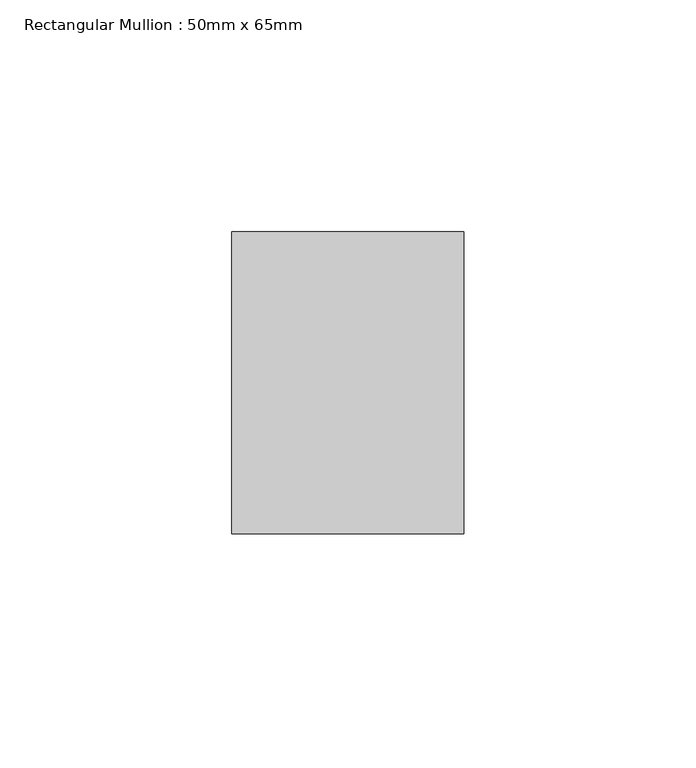
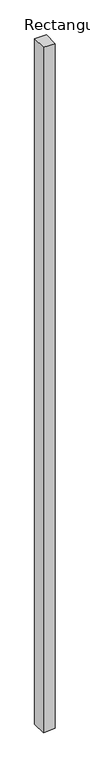
"""IFC4 building model written with IfcOpenShell, lengths in millimetres: member geometry, Rectangular Mullion : 50mm x 65mm."""

from ifc_helpers import new_model, si_unit, origin, place, context, project, spatial, faceted_brep, source, transform, mapped, element, save


def rectangular_mullion_50mm_x_65mm_8764dba7(model_context):
    return source(origin(), model_context, "Body", "Brep", [
        faceted_brep([(25.0, 32.5, 0.0), (-25.0, 32.5, 0.0), (-25.0, -32.5, 0.0), (25.0, -32.5, 0.0), (25.0, 32.5, -3103.3241425), (-25.0, 32.5, -3105.7528701), (-25.0, -32.5, -3104.0960178), (25.0, -32.5, -3101.6672902)], [[[0, 1, 2, 3]], [[1, 0, 4, 5]], [[2, 1, 5, 6]], [[3, 2, 6, 7]], [[0, 3, 7, 4]], [[4, 7, 6, 5]]]),
    ])


if __name__ == "__main__":
    model = new_model("IFC4")
    model_context = context("Model", 3, world=origin())
    ifc_project = project(units=[si_unit("LENGTHUNIT", "METRE", prefix="MILLI")], contexts=[model_context])
    site = spatial("IfcSite", under=ifc_project)
    building = spatial("IfcBuilding", under=site)
    placement = place(None, origin())
    rectangular_mullion_50mm_x_65mm_shape = rectangular_mullion_50mm_x_65mm_8764dba7(model_context)
    element("IfcMember", 1, ObjectType="Rectangular Mullion : 50mm x 65mm", at=placement, inside=building, context=model_context, shape_type="MappedRepresentation", body=[
        mapped(rectangular_mullion_50mm_x_65mm_shape, transform((0.0, 0.0, 0.0), x_axis=(1.0, 0.0, 0.0), y_axis=(0.0, 1.0, 0.0), z_axis=(0.0, 0.0, 1.0))),
    ])
    save(model, "model.ifc")
